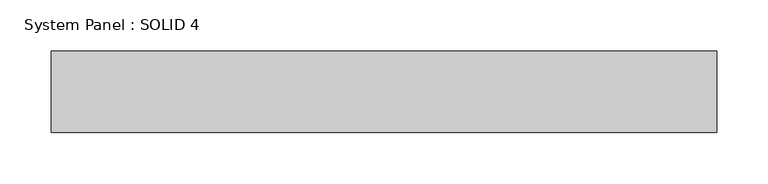
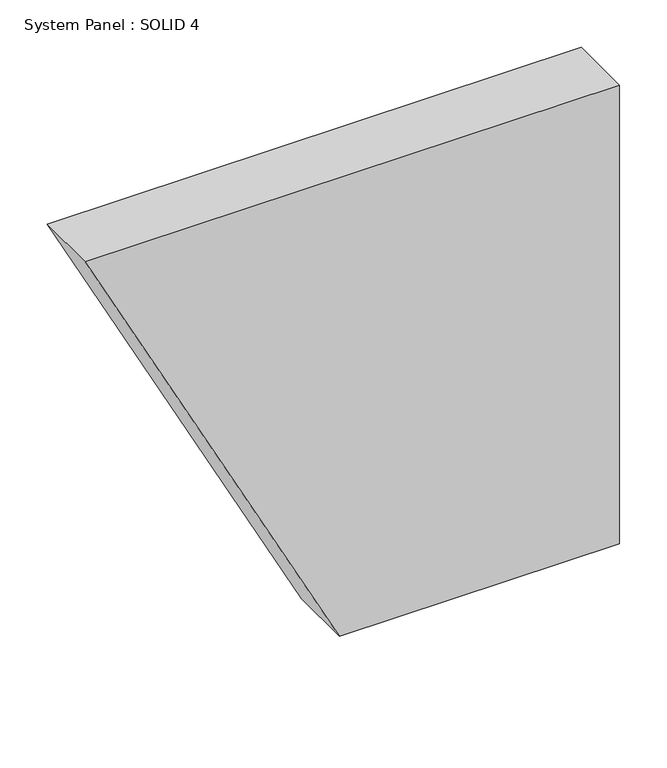
"""IFC4 building model written with IfcOpenShell, lengths in millimetres: plate geometry, System Panel : SOLID 4."""

import ifcopenshell
import ifcopenshell.guid

model = None  # the IFC model being written
_history = None  # IfcOwnerHistory: only IFC2X3 demands one
_inside = {}  # id of a spatial element -> (the spatial element, [elements in it])
_under = {}  # id of a project, library or spatial element -> (it, [spatial elements below it])
_declared = {}  # id of a project -> (the project, [libraries it declares])
_typed = {}  # id of a type object -> (the type object, [elements of that type])
_made_of = {}  # id of a material, layer set ... -> (it, [elements and type objects made of it])


def new_model(schema):
    """Start an empty IFC model of exactly this schema.

    Asked for "IFC4X3", IfcOpenShell would pick the latest addendum, in which some entities
    have other attributes; the version numbers below select the first issue.
    IFC2X3 requires an IfcOwnerHistory on every rooted entity: one is made here for all.
    """
    global model, _history
    if schema == "IFC4X3":
        model = ifcopenshell.file(schema_version=(4, 3, 0, 0))
    else:
        model = ifcopenshell.file(schema=schema)
    _inside.clear()
    _under.clear()
    _declared.clear()
    _typed.clear()
    _made_of.clear()
    _history = None
    if model.schema == "IFC2X3":
        org = make("IfcOrganization", Name="unknown")
        user = make(
            "IfcPersonAndOrganization",
            ThePerson=make("IfcPerson", FamilyName="unknown"),
            TheOrganization=org,
        )
        app = make(
            "IfcApplication",
            ApplicationDeveloper=org,
            Version="unknown",
            ApplicationFullName="unknown",
            ApplicationIdentifier="unknown",
        )
        _history = make(
            "IfcOwnerHistory",
            OwningUser=user,
            OwningApplication=app,
            ChangeAction="ADDED",
            CreationDate=0,
        )
    return model


def make(cls, **values):
    """One entity of the class cls with the attributes given. An attribute that is None is left unset."""
    return model.create_entity(
        cls, **{name: value for name, value in values.items() if value is not None}
    )


def rooted(cls, **values):
    """An entity with a GlobalId (a new one), such as an element, a storey or a relation."""
    return make(cls, GlobalId=ifcopenshell.guid.new(), OwnerHistory=_history, **values)


def si_unit(unit_type, name, prefix=None):
    """IfcSIUnit, for example si_unit("LENGTHUNIT", "METRE", prefix="MILLI")."""
    return make("IfcSIUnit", UnitType=unit_type, Prefix=prefix, Name=name)


def assignment(units):
    """IfcUnitAssignment: the units of a project."""
    return None if units is None else make("IfcUnitAssignment", Units=units)


def point(xyz):
    """IfcCartesianPoint."""
    return None if xyz is None else make("IfcCartesianPoint", Coordinates=xyz)


def direction(xyz):
    """IfcDirection."""
    return None if xyz is None else make("IfcDirection", DirectionRatios=xyz)


def frame(location, z_axis=None, x_axis=None):
    """IfcAxis2Placement3D, a coordinate frame: its origin and axes. An axis left out is left unset."""
    return make(
        "IfcAxis2Placement3D",
        Location=point(location),
        Axis=direction(z_axis),
        RefDirection=direction(x_axis),
    )


def frame_2d(location, x_axis=None):
    """IfcAxis2Placement2D, a coordinate frame in the plane: its origin and x axis."""
    return make(
        "IfcAxis2Placement2D", Location=point(location), RefDirection=direction(x_axis)
    )


def origin():
    """The frame at (0, 0, 0) with its axes left unset."""
    return frame((0.0, 0.0, 0.0))


def place(relative_to, where):
    """IfcLocalPlacement: puts the frame where relative to a parent placement (None: the world)."""
    return make(
        "IfcLocalPlacement", PlacementRelTo=relative_to, RelativePlacement=where
    )


def context(
    kind, dimensions, precision=None, world=None, true_north=None, identifier=None
):
    """IfcGeometricRepresentationContext, for example the 3D "Model" context."""
    return make(
        "IfcGeometricRepresentationContext",
        ContextIdentifier=identifier,
        ContextType=kind,
        CoordinateSpaceDimension=dimensions,
        Precision=precision,
        WorldCoordinateSystem=world,
        TrueNorth=true_north,
    )


def project(units=None, contexts=None):
    """IfcProject with its units and contexts."""
    return rooted(
        "IfcProject",
        Name="project",
        RepresentationContexts=contexts,
        UnitsInContext=assignment(units),
    )


def spatial(cls, under=None, at=None, **own):
    """A site, building, storey or space (cls), placed at a placement, below another one or the project."""
    s = rooted(cls, ObjectPlacement=at, **own)
    if under is not None:
        _under.setdefault(under.id(), (under, []))[1].append(s)
    return s


def polyline(points):
    """IfcPolyline through the points."""
    return make("IfcPolyline", Points=[point(p) for p in points])


def circle_curve(where, radius):
    """IfcCircle in the frame where."""
    return make("IfcCircle", Position=where, Radius=radius)


def trimmed(basis, trim1, trim2, sense, master):
    """IfcTrimmedCurve: the piece of a basis curve between two trims."""
    return make(
        "IfcTrimmedCurve",
        BasisCurve=basis,
        Trim1=trim1,
        Trim2=trim2,
        SenseAgreement=sense,
        MasterRepresentation=master,
    )


def segment(curve, same_sense, transition):
    """IfcCompositeCurveSegment."""
    return make(
        "IfcCompositeCurveSegment",
        Transition=transition,
        SameSense=same_sense,
        ParentCurve=curve,
    )


def composite_curve(segments, self_intersect=None):
    """IfcCompositeCurve: segments joined end to end."""
    return make("IfcCompositeCurve", Segments=segments, SelfIntersect=self_intersect)


def outline(outer, holes=None, kind="AREA"):
    """IfcArbitraryClosedProfileDef: a profile drawn as a closed curve; with holes, ...WithVoids."""
    if holes is None:
        return make("IfcArbitraryClosedProfileDef", ProfileType=kind, OuterCurve=outer)
    return make(
        "IfcArbitraryProfileDefWithVoids",
        ProfileType=kind,
        OuterCurve=outer,
        InnerCurves=holes,
    )


def extrude(swept, where, along, depth):
    """IfcExtrudedAreaSolid: the profile swept, set in the frame where, extruded along a direction by depth."""
    return make(
        "IfcExtrudedAreaSolid",
        SweptArea=swept,
        Position=where,
        ExtrudedDirection=direction(along),
        Depth=depth,
    )


def shape(context_of_items, identifier, shape_type, items):
    """IfcShapeRepresentation: the items that make up one representation, for example the "Body"."""
    return make(
        "IfcShapeRepresentation",
        ContextOfItems=context_of_items,
        RepresentationIdentifier=identifier,
        RepresentationType=shape_type,
        Items=items,
    )


def source(mapping_origin, context_of_items, identifier, shape_type, items):
    """IfcRepresentationMap: a shape defined once, which mapped items show again and again."""
    return make(
        "IfcRepresentationMap",
        MappingOrigin=mapping_origin,
        MappedRepresentation=shape(context_of_items, identifier, shape_type, items),
    )


def transform(
    local_origin,
    x_axis=None,
    y_axis=None,
    z_axis=None,
    scale=None,
    scale2=None,
    scale3=None,
    uniform=True,
):
    """IfcCartesianTransformationOperator3D, or its non-uniform kind. x_axis, y_axis, z_axis: its Axis1, 2, 3."""
    if uniform:
        return make(
            "IfcCartesianTransformationOperator3D",
            Axis1=direction(x_axis),
            Axis2=direction(y_axis),
            LocalOrigin=point(local_origin),
            Scale=scale,
            Axis3=direction(z_axis),
        )
    return make(
        "IfcCartesianTransformationOperator3DnonUniform",
        Axis1=direction(x_axis),
        Axis2=direction(y_axis),
        LocalOrigin=point(local_origin),
        Scale=scale,
        Axis3=direction(z_axis),
        Scale2=scale2,
        Scale3=scale3,
    )


def mapped(mapping_source, mapping_target):
    """IfcMappedItem: shows the shape of a source again, moved by a transform."""
    return make(
        "IfcMappedItem", MappingSource=mapping_source, MappingTarget=mapping_target
    )


def made_of(thing, what):
    """Note that an element or type object is made of a material, layer set ...; save() writes the relation."""
    if what is not None:
        _made_of.setdefault(what.id(), (what, []))[1].append(thing)
    return thing


def element(
    cls,
    number,
    at=None,
    inside=None,
    cuts=None,
    type_object=None,
    material=None,
    context=None,
    identifier="Body",
    shape_type=None,
    held_by="IfcProductDefinitionShape",
    body=None,
    shapes=None,
    **own,
):
    """One element of the class cls, such as IfcWall. Its Tag is "e" and its number.

    at: its placement. inside: the storey or other place that contains it. cuts: it is an
    opening in that element (IfcRelVoidsElement). A single representation is given by context,
    identifier, shape_type and body (its items); several are given by shapes. held_by: the class
    of the entity that holds the representations. save() writes the other relations.
    """
    e = rooted(cls, Tag="e%d" % number, ObjectPlacement=at, **own)
    if body is not None:
        shapes = [shape(context, identifier, shape_type, body)]
    if shapes is not None:
        e.Representation = make(held_by, Representations=shapes)
    if inside is not None:
        _inside.setdefault(inside.id(), (inside, []))[1].append(e)
    if cuts is not None:
        rooted(
            "IfcRelVoidsElement", RelatingBuildingElement=cuts, RelatedOpeningElement=e
        )
    if type_object is not None:
        _typed.setdefault(type_object.id(), (type_object, []))[1].append(e)
    return made_of(e, material)


def aggregate(whole, parts):
    """IfcRelAggregates: a whole, such as a stair, and the parts it consists of."""
    return rooted("IfcRelAggregates", RelatingObject=whole, RelatedObjects=parts)


def save(model, path):
    """Write the relations noted so far, then the file.

    IfcRelAggregates (storeys below a building ...), IfcRelContainedInSpatialStructure (elements
    in a storey), IfcRelDefinesByType, IfcRelAssociatesMaterial and IfcRelDeclares: one each for
    every whole, place, type object, material and project.
    """
    for whole, parts in _under.values():
        aggregate(whole, parts)
    for where, things in _inside.values():
        rooted(
            "IfcRelContainedInSpatialStructure",
            RelatedElements=things,
            RelatingStructure=where,
        )
    for kind, things in _typed.values():
        rooted("IfcRelDefinesByType", RelatedObjects=things, RelatingType=kind)
    for what, things in _made_of.values():
        rooted("IfcRelAssociatesMaterial", RelatedObjects=things, RelatingMaterial=what)
    for by, libraries in _declared.values():
        rooted("IfcRelDeclares", RelatingContext=by, RelatedDefinitions=libraries)
    model.write(path)


def system_panel_solid_4_79058ff2(model_context):
    return source(origin(), model_context, "Body", "SweptSolid", [
        extrude(outline(composite_curve([segment(polyline([(0.0, -15.6696228), (0.0, 325.6956748), (591.0, 325.6956748), (591.0, -325.6956748)]), True, "CONTINUOUS"), segment(trimmed(circle_curve(frame_2d((-1667.5211069, -3912.7729231)), 4238.8725831), [point((591.0, -325.6956748))], [point((0.0, -15.6696228))], True, "CARTESIAN"), True, "CONTINUOUS")], self_intersect=False)), frame((0.0, 80.0, 0.0), z_axis=(0.0, 1.0, 0.0), x_axis=(0.0, 0.0, 1.0)), (0.0, 0.0, 1.0), 80.0),
    ])


if __name__ == "__main__":
    model = new_model("IFC4")
    model_context = context("Model", 3, world=origin())
    ifc_project = project(units=[si_unit("LENGTHUNIT", "METRE", prefix="MILLI")], contexts=[model_context])
    site = spatial("IfcSite", under=ifc_project)
    building = spatial("IfcBuilding", under=site)
    placement = place(None, origin())
    system_panel_solid_4_shape = system_panel_solid_4_79058ff2(model_context)
    element("IfcPlate", 1, ObjectType="System Panel : SOLID 4", at=placement, inside=building, context=model_context, shape_type="MappedRepresentation", body=[
        mapped(system_panel_solid_4_shape, transform((0.0, 0.0, 0.0), x_axis=(1.0, 0.0, 0.0), y_axis=(0.0, 1.0, 0.0), z_axis=(0.0, 0.0, 1.0))),
    ])
    save(model, "model.ifc")
